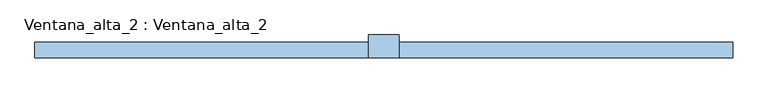
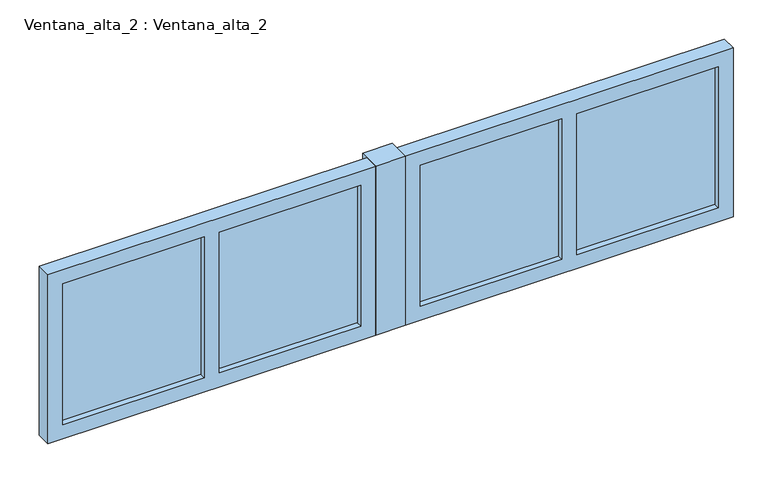
"""IFC4 building model written with IfcOpenShell, lengths in millimetres: window geometry, Ventana_alta_2 : Ventana_alta_2."""

import ifcopenshell
import ifcopenshell.guid

model = None  # the IFC model being written
_history = None  # IfcOwnerHistory: only IFC2X3 demands one
_inside = {}  # id of a spatial element -> (the spatial element, [elements in it])
_under = {}  # id of a project, library or spatial element -> (it, [spatial elements below it])
_declared = {}  # id of a project -> (the project, [libraries it declares])
_typed = {}  # id of a type object -> (the type object, [elements of that type])
_made_of = {}  # id of a material, layer set ... -> (it, [elements and type objects made of it])


def new_model(schema):
    """Start an empty IFC model of exactly this schema.

    Asked for "IFC4X3", IfcOpenShell would pick the latest addendum, in which some entities
    have other attributes; the version numbers below select the first issue.
    IFC2X3 requires an IfcOwnerHistory on every rooted entity: one is made here for all.
    """
    global model, _history
    if schema == "IFC4X3":
        model = ifcopenshell.file(schema_version=(4, 3, 0, 0))
    else:
        model = ifcopenshell.file(schema=schema)
    _inside.clear()
    _under.clear()
    _declared.clear()
    _typed.clear()
    _made_of.clear()
    _history = None
    if model.schema == "IFC2X3":
        org = make("IfcOrganization", Name="unknown")
        user = make(
            "IfcPersonAndOrganization",
            ThePerson=make("IfcPerson", FamilyName="unknown"),
            TheOrganization=org,
        )
        app = make(
            "IfcApplication",
            ApplicationDeveloper=org,
            Version="unknown",
            ApplicationFullName="unknown",
            ApplicationIdentifier="unknown",
        )
        _history = make(
            "IfcOwnerHistory",
            OwningUser=user,
            OwningApplication=app,
            ChangeAction="ADDED",
            CreationDate=0,
        )
    return model


def make(cls, **values):
    """One entity of the class cls with the attributes given. An attribute that is None is left unset."""
    return model.create_entity(
        cls, **{name: value for name, value in values.items() if value is not None}
    )


def rooted(cls, **values):
    """An entity with a GlobalId (a new one), such as an element, a storey or a relation."""
    return make(cls, GlobalId=ifcopenshell.guid.new(), OwnerHistory=_history, **values)


def si_unit(unit_type, name, prefix=None):
    """IfcSIUnit, for example si_unit("LENGTHUNIT", "METRE", prefix="MILLI")."""
    return make("IfcSIUnit", UnitType=unit_type, Prefix=prefix, Name=name)


def assignment(units):
    """IfcUnitAssignment: the units of a project."""
    return None if units is None else make("IfcUnitAssignment", Units=units)


def point(xyz):
    """IfcCartesianPoint."""
    return None if xyz is None else make("IfcCartesianPoint", Coordinates=xyz)


def direction(xyz):
    """IfcDirection."""
    return None if xyz is None else make("IfcDirection", DirectionRatios=xyz)


def frame(location, z_axis=None, x_axis=None):
    """IfcAxis2Placement3D, a coordinate frame: its origin and axes. An axis left out is left unset."""
    return make(
        "IfcAxis2Placement3D",
        Location=point(location),
        Axis=direction(z_axis),
        RefDirection=direction(x_axis),
    )


def origin():
    """The frame at (0, 0, 0) with its axes left unset."""
    return frame((0.0, 0.0, 0.0))


def place(relative_to, where):
    """IfcLocalPlacement: puts the frame where relative to a parent placement (None: the world)."""
    return make(
        "IfcLocalPlacement", PlacementRelTo=relative_to, RelativePlacement=where
    )


def context(
    kind, dimensions, precision=None, world=None, true_north=None, identifier=None
):
    """IfcGeometricRepresentationContext, for example the 3D "Model" context."""
    return make(
        "IfcGeometricRepresentationContext",
        ContextIdentifier=identifier,
        ContextType=kind,
        CoordinateSpaceDimension=dimensions,
        Precision=precision,
        WorldCoordinateSystem=world,
        TrueNorth=true_north,
    )


def project(units=None, contexts=None):
    """IfcProject with its units and contexts."""
    return rooted(
        "IfcProject",
        Name="project",
        RepresentationContexts=contexts,
        UnitsInContext=assignment(units),
    )


def spatial(cls, under=None, at=None, **own):
    """A site, building, storey or space (cls), placed at a placement, below another one or the project."""
    s = rooted(cls, ObjectPlacement=at, **own)
    if under is not None:
        _under.setdefault(under.id(), (under, []))[1].append(s)
    return s


def polyline(points):
    """IfcPolyline through the points."""
    return make("IfcPolyline", Points=[point(p) for p in points])


def outline(outer, holes=None, kind="AREA"):
    """IfcArbitraryClosedProfileDef: a profile drawn as a closed curve; with holes, ...WithVoids."""
    if holes is None:
        return make("IfcArbitraryClosedProfileDef", ProfileType=kind, OuterCurve=outer)
    return make(
        "IfcArbitraryProfileDefWithVoids",
        ProfileType=kind,
        OuterCurve=outer,
        InnerCurves=holes,
    )


def extrude(swept, where, along, depth):
    """IfcExtrudedAreaSolid: the profile swept, set in the frame where, extruded along a direction by depth."""
    return make(
        "IfcExtrudedAreaSolid",
        SweptArea=swept,
        Position=where,
        ExtrudedDirection=direction(along),
        Depth=depth,
    )


def shape(context_of_items, identifier, shape_type, items):
    """IfcShapeRepresentation: the items that make up one representation, for example the "Body"."""
    return make(
        "IfcShapeRepresentation",
        ContextOfItems=context_of_items,
        RepresentationIdentifier=identifier,
        RepresentationType=shape_type,
        Items=items,
    )


def source(mapping_origin, context_of_items, identifier, shape_type, items):
    """IfcRepresentationMap: a shape defined once, which mapped items show again and again."""
    return make(
        "IfcRepresentationMap",
        MappingOrigin=mapping_origin,
        MappedRepresentation=shape(context_of_items, identifier, shape_type, items),
    )


def transform(
    local_origin,
    x_axis=None,
    y_axis=None,
    z_axis=None,
    scale=None,
    scale2=None,
    scale3=None,
    uniform=True,
):
    """IfcCartesianTransformationOperator3D, or its non-uniform kind. x_axis, y_axis, z_axis: its Axis1, 2, 3."""
    if uniform:
        return make(
            "IfcCartesianTransformationOperator3D",
            Axis1=direction(x_axis),
            Axis2=direction(y_axis),
            LocalOrigin=point(local_origin),
            Scale=scale,
            Axis3=direction(z_axis),
        )
    return make(
        "IfcCartesianTransformationOperator3DnonUniform",
        Axis1=direction(x_axis),
        Axis2=direction(y_axis),
        LocalOrigin=point(local_origin),
        Scale=scale,
        Axis3=direction(z_axis),
        Scale2=scale2,
        Scale3=scale3,
    )


def mapped(mapping_source, mapping_target):
    """IfcMappedItem: shows the shape of a source again, moved by a transform."""
    return make(
        "IfcMappedItem", MappingSource=mapping_source, MappingTarget=mapping_target
    )


def made_of(thing, what):
    """Note that an element or type object is made of a material, layer set ...; save() writes the relation."""
    if what is not None:
        _made_of.setdefault(what.id(), (what, []))[1].append(thing)
    return thing


def element(
    cls,
    number,
    at=None,
    inside=None,
    cuts=None,
    type_object=None,
    material=None,
    context=None,
    identifier="Body",
    shape_type=None,
    held_by="IfcProductDefinitionShape",
    body=None,
    shapes=None,
    **own,
):
    """One element of the class cls, such as IfcWall. Its Tag is "e" and its number.

    at: its placement. inside: the storey or other place that contains it. cuts: it is an
    opening in that element (IfcRelVoidsElement). A single representation is given by context,
    identifier, shape_type and body (its items); several are given by shapes. held_by: the class
    of the entity that holds the representations. save() writes the other relations.
    """
    e = rooted(cls, Tag="e%d" % number, ObjectPlacement=at, **own)
    if body is not None:
        shapes = [shape(context, identifier, shape_type, body)]
    if shapes is not None:
        e.Representation = make(held_by, Representations=shapes)
    if inside is not None:
        _inside.setdefault(inside.id(), (inside, []))[1].append(e)
    if cuts is not None:
        rooted(
            "IfcRelVoidsElement", RelatingBuildingElement=cuts, RelatedOpeningElement=e
        )
    if type_object is not None:
        _typed.setdefault(type_object.id(), (type_object, []))[1].append(e)
    return made_of(e, material)


def aggregate(whole, parts):
    """IfcRelAggregates: a whole, such as a stair, and the parts it consists of."""
    return rooted("IfcRelAggregates", RelatingObject=whole, RelatedObjects=parts)


def save(model, path):
    """Write the relations noted so far, then the file.

    IfcRelAggregates (storeys below a building ...), IfcRelContainedInSpatialStructure (elements
    in a storey), IfcRelDefinesByType, IfcRelAssociatesMaterial and IfcRelDeclares: one each for
    every whole, place, type object, material and project.
    """
    for whole, parts in _under.values():
        aggregate(whole, parts)
    for where, things in _inside.values():
        rooted(
            "IfcRelContainedInSpatialStructure",
            RelatedElements=things,
            RelatingStructure=where,
        )
    for kind, things in _typed.values():
        rooted("IfcRelDefinesByType", RelatedObjects=things, RelatingType=kind)
    for what, things in _made_of.values():
        rooted("IfcRelAssociatesMaterial", RelatedObjects=things, RelatingMaterial=what)
    for by, libraries in _declared.values():
        rooted("IfcRelDeclares", RelatingContext=by, RelatedDefinitions=libraries)
    model.write(path)


def ventana_alta_2_ventana_alta_2_573aaf84(model_context):
    return source(origin(), model_context, "Body", "SweptSolid", [
        extrude(outline(polyline([(650.0, -125.0), (550.0, -125.0), (550.0, -50.0), (650.0, -50.0), (650.0, -125.0)])), frame((0.0, 0.0, 800.0), z_axis=(0.0, 0.0, 1.0), x_axis=(1.0, 0.0, 0.0)), (0.0, 0.0, 1.0), 600.0),
        extrude(outline(polyline([(1175.0, -105.0), (700.0, -105.0), (700.0, -95.0), (1175.0, -95.0), (1175.0, -105.0)])), frame((0.0, 0.0, 850.0), z_axis=(0.0, 0.0, 1.0), x_axis=(1.0, 0.0, 0.0)), (0.0, 0.0, 1.0), 500.0),
        extrude(outline(polyline([(1700.0, -105.0), (1225.0, -105.0), (1225.0, -95.0), (1700.0, -95.0), (1700.0, -105.0)])), frame((0.0, 0.0, 850.0), z_axis=(0.0, 0.0, 1.0), x_axis=(1.0, 0.0, 0.0)), (0.0, 0.0, 1.0), 500.0),
        extrude(outline(polyline([(1400.0, 1750.0), (1400.0, 650.0), (800.0, 650.0), (800.0, 1750.0), (1400.0, 1750.0)]), holes=[polyline([(1350.0, 1700.0), (850.0, 1700.0), (850.0, 1225.0), (1350.0, 1225.0), (1350.0, 1700.0)]), polyline([(850.0, 1175.0), (850.0, 700.0), (1350.0, 700.0), (1350.0, 1175.0), (850.0, 1175.0)])]), frame((0.0, -125.0, 0.0), z_axis=(0.0, 1.0, 0.0), x_axis=(0.0, 0.0, 1.0)), (0.0, 0.0, 1.0), 50.0),
        extrude(outline(polyline([(-25.0, -105.0), (-500.0, -105.0), (-500.0, -95.0), (-25.0, -95.0), (-25.0, -105.0)])), frame((0.0, 0.0, 850.0), z_axis=(0.0, 0.0, 1.0), x_axis=(1.0, 0.0, 0.0)), (0.0, 0.0, 1.0), 500.0),
        extrude(outline(polyline([(500.0, -105.0), (25.0, -105.0), (25.0, -95.0), (500.0, -95.0), (500.0, -105.0)])), frame((0.0, 0.0, 850.0), z_axis=(0.0, 0.0, 1.0), x_axis=(1.0, 0.0, 0.0)), (0.0, 0.0, 1.0), 500.0),
        extrude(outline(polyline([(1400.0, 550.0), (1400.0, -550.0), (800.0, -550.0), (800.0, 550.0), (1400.0, 550.0)]), holes=[polyline([(1350.0, 500.0), (850.0, 500.0), (850.0, 25.0), (1350.0, 25.0), (1350.0, 500.0)]), polyline([(850.0, -25.0), (850.0, -500.0), (1350.0, -500.0), (1350.0, -25.0), (850.0, -25.0)])]), frame((0.0, -125.0, 0.0), z_axis=(0.0, 1.0, 0.0), x_axis=(0.0, 0.0, 1.0)), (0.0, 0.0, 1.0), 50.0),
    ])


if __name__ == "__main__":
    model = new_model("IFC4")
    model_context = context("Model", 3, world=origin())
    ifc_project = project(units=[si_unit("LENGTHUNIT", "METRE", prefix="MILLI")], contexts=[model_context])
    site = spatial("IfcSite", under=ifc_project)
    building = spatial("IfcBuilding", under=site)
    placement = place(None, origin())
    ventana_alta_2_ventana_alta_2_shape = ventana_alta_2_ventana_alta_2_573aaf84(model_context)
    element("IfcWindow", 1, ObjectType="Ventana_alta_2 : Ventana_alta_2", at=placement, inside=building, context=model_context, shape_type="MappedRepresentation", body=[
        mapped(ventana_alta_2_ventana_alta_2_shape, transform((0.0, 0.0, 0.0), x_axis=(1.0, 0.0, 0.0), y_axis=(0.0, 1.0, 0.0), z_axis=(0.0, 0.0, 1.0))),
    ])
    save(model, "model.ifc")
